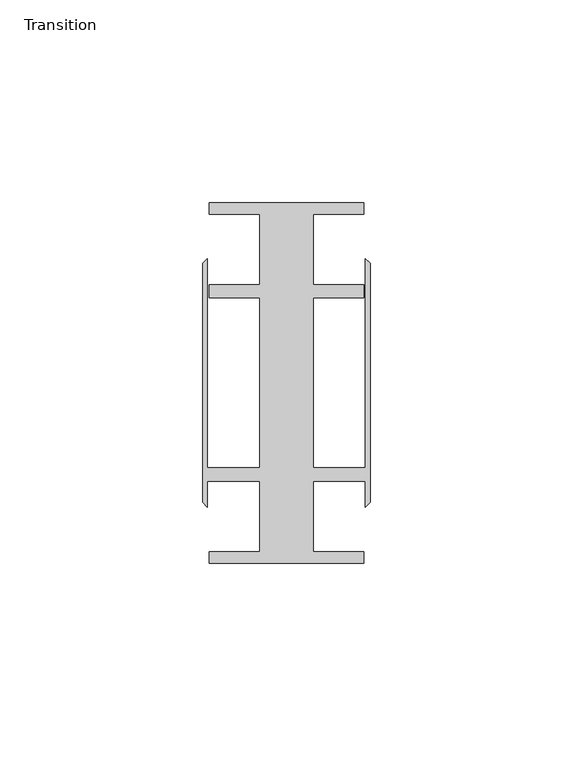
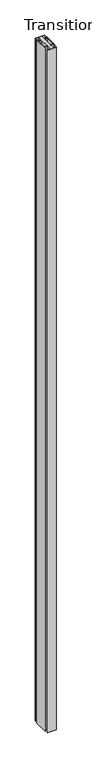
"""IFC4 building model written with IfcOpenShell, lengths in millimetres: furniture geometry, Transition."""

from ifc_helpers import new_model, si_unit, origin, origin_with_axes, place, context, project, spatial, polyline, outline, extrude, source, transform, mapped, element, save


def transition_7075092e(model_context):
    return source(origin(), model_context, "Body", "SweptSolid", [
        extrude(outline(polyline([(36.5771534, 57.1518064), (36.5771534, 39.7518058), (49.0271531, 39.7518058), (49.0271531, 36.4518057), (36.5771534, 36.4518057), (36.5771534, -5.4481956), (49.4695633, -5.4481956), (49.4695633, 46.1177636), (50.6146531, 44.9726737), (50.6146531, -13.9690637), (49.4695633, -15.1141535), (49.4695633, -8.7481957), (36.5771534, -8.7481957), (36.5771534, -26.1481963), (49.0271531, -26.1481963), (49.0271531, -28.948195), (10.9271531, -28.948195), (10.9271531, -26.1481963), (23.3771529, -26.1481963), (23.3771529, -8.7481957), (10.484743, -8.7481957), (10.484743, -15.1141535), (9.3396531, -13.9690637), (9.3396531, 44.9726737), (10.484743, 46.1177636), (10.484743, -5.4481956), (23.3771529, -5.4481956), (23.3771529, 36.4518057), (10.9271531, 36.4518057), (10.9271531, 39.7518058), (23.3771529, 39.7518058), (23.3771529, 57.1518064), (10.9271531, 57.1518064), (10.9271531, 59.951805), (49.0271531, 59.951805), (49.0271531, 57.1518064), (36.5771534, 57.1518064)])), origin_with_axes(), (0.0, 0.0, 1.0), 3048.0),
    ])


if __name__ == "__main__":
    model = new_model("IFC4")
    model_context = context("Model", 3, world=origin())
    ifc_project = project(units=[si_unit("LENGTHUNIT", "METRE", prefix="MILLI")], contexts=[model_context])
    site = spatial("IfcSite", under=ifc_project)
    building = spatial("IfcBuilding", under=site)
    placement = place(None, origin())
    transition_shape = transition_7075092e(model_context)
    element("IfcFurniture", 1, ObjectType="Transition", at=placement, inside=building, context=model_context, shape_type="MappedRepresentation", body=[
        mapped(transition_shape, transform((0.0, 0.0, 0.0), x_axis=(1.0, 0.0, 0.0), y_axis=(0.0, 1.0, 0.0), z_axis=(0.0, 0.0, 1.0))),
    ])
    save(model, "model.ifc")
